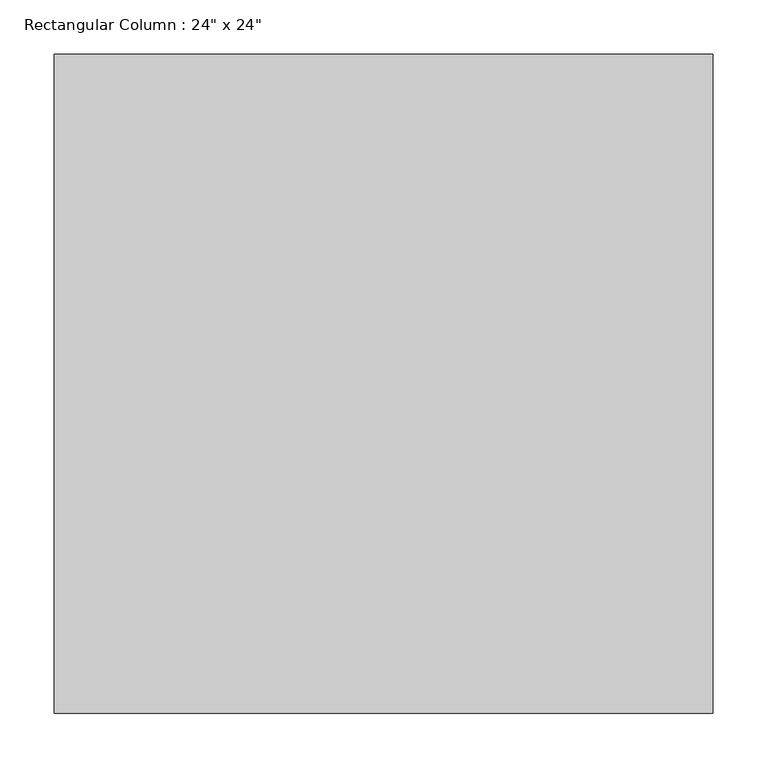
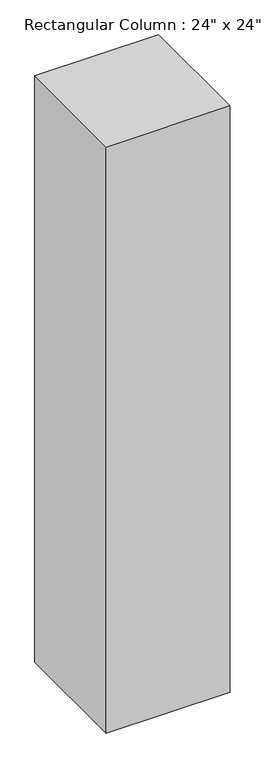
"""IFC4 building model written with IfcOpenShell, lengths in millimetres: column geometry."""

from ifc_helpers import new_model, si_unit, frame, origin, place, context, project, spatial, polyline, outline, extrude, source, transform, mapped, element, save


def column_fff92353(model_context):
    return source(origin(), model_context, "Body", "SweptSolid", [
        extrude(outline(polyline([(304.8, 304.8), (304.8, -304.8), (-304.8, -304.8), (-304.8, 304.8), (304.8, 304.8)])), frame((0.0, 0.0, 3048.0), z_axis=(0.0, 0.0, 1.0), x_axis=(1.0, 0.0, 0.0)), (0.0, 0.0, 1.0), 3048.0),
    ])


if __name__ == "__main__":
    model = new_model("IFC4")
    model_context = context("Model", 3, world=origin())
    ifc_project = project(units=[si_unit("LENGTHUNIT", "METRE", prefix="MILLI")], contexts=[model_context])
    site = spatial("IfcSite", under=ifc_project)
    building = spatial("IfcBuilding", under=site)
    placement = place(None, origin())
    column_shape = column_fff92353(model_context)
    element("IfcColumn", 1, ObjectType="Rectangular Column : 24\" x 24\"", at=placement, inside=building, context=model_context, shape_type="MappedRepresentation", body=[
        mapped(column_shape, transform((0.0, 0.0, 0.0), x_axis=(1.0, 0.0, 0.0), y_axis=(0.0, 1.0, 0.0), z_axis=(0.0, 0.0, 1.0))),
    ])
    save(model, "model.ifc")
